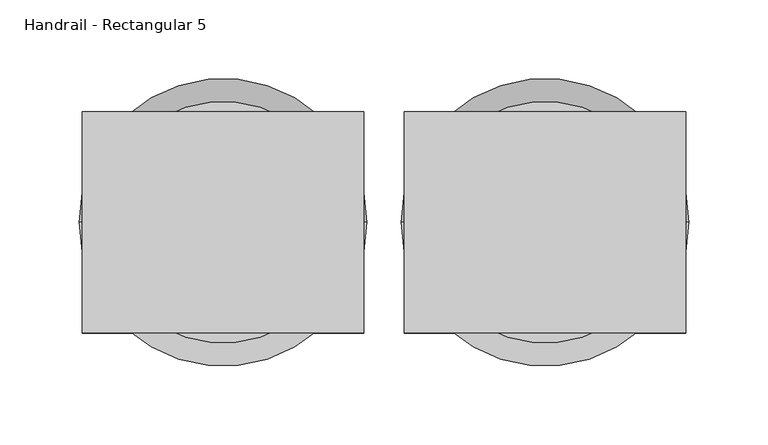
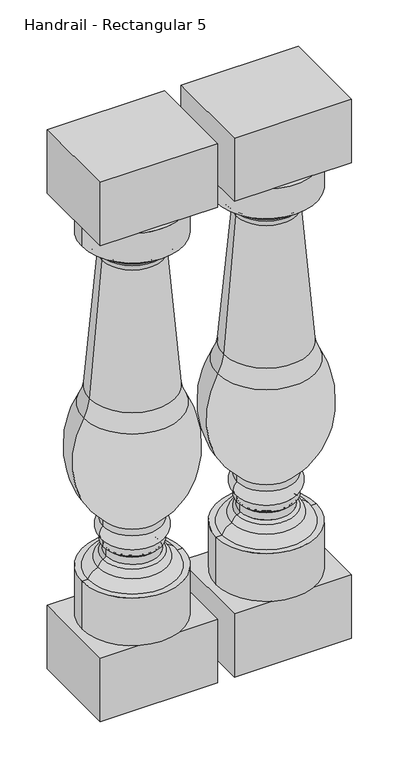
"""IFC4 building model written with IfcOpenShell, lengths in millimetres: railing geometry, Handrail - Rectangular 5."""

from ifc_helpers import new_model, si_unit, point, frame, origin, place, context, project, spatial, polyline, circle_curve, ellipse_curve, trimmed, outline, extrude, source, transform, mapped, element, save
from ifc_brep_helpers import plane_surface, cylinder_surface, revolved_surface, advanced_brep


def handrail_rectangular_5_f47f2843(model_context):
    return source(origin(), model_context, "Body", "SolidModel", [
        advanced_brep(
        [(12191.3566037, 2142.9239298, 873.125), (12343.7566037, 2142.9239298, 873.125), (12267.5566037, 2142.9239298, 873.125), (12191.3566037, 2142.9239298, 825.4490755), (12343.7566037, 2142.9239298, 825.4490755), (12201.399835, 2142.9239298, 825.4490755), (12333.7133725, 2142.9239298, 825.4490755), (12212.8831249, 2142.9239298, 813.9657856), (12322.2300826, 2142.9239298, 813.9657856), (12212.8831249, 2142.9239298, 808.3461292), (12322.2300826, 2142.9239298, 808.3461292), (12218.585312, 2142.9239298, 802.2016975), (12316.5278955, 2142.9239298, 802.2016975), (12221.9271078, 2142.9239298, 792.8428746), (12313.1860997, 2142.9239298, 792.8428746), (12203.1596018, 2142.9239298, 577.4758218), (12331.9536056, 2142.9239298, 577.4758218), (12194.1423791, 2142.9239298, 549.5125844), (12340.9708283, 2142.9239298, 549.5125844), (12223.4132114, 2142.9239298, 376.7693301), (12311.699996, 2142.9239298, 376.7693301), (12223.4132114, 2142.9239298, 366.4437154), (12311.699996, 2142.9239298, 366.4437154), (12223.4132114, 2142.9239298, 343.8682651), (12311.699996, 2142.9239298, 343.8682651), (12223.4132114, 2142.9239298, 333.5426504), (12311.699996, 2142.9239298, 333.5426504), (12227.7236517, 2142.9239298, 329.2322102), (12307.3895558, 2142.9239298, 329.2322102), (12227.7236517, 2142.9239298, 317.4353211), (12307.3895558, 2142.9239298, 317.4353211), (12223.2258586, 2142.9239298, 313.1289544), (12311.8873488, 2142.9239298, 313.1289544), (12215.7054015, 2142.9239298, 303.0807869), (12319.4078059, 2142.9239298, 303.0807869), (12200.5567928, 2142.9239298, 288.925), (12334.5564146, 2142.9239298, 288.925), (12191.3566037, 2142.9239298, 288.925), (12343.7566037, 2142.9239298, 288.925), (12191.3566037, 2142.9239298, 212.725), (12343.7566037, 2142.9239298, 212.725), (12267.5566037, 2142.9239298, 212.725)],
        [
            (0, 1, circle_curve(frame((12267.5566037, 2142.9239298, 873.125), z_axis=(0.0, 0.0, 1.0), x_axis=(1.0, 0.0, 0.0)), 76.2)),
            (1, 2),
            (2, 0),
            (1, 0, circle_curve(frame((12267.5566037, 2142.9239298, 873.125), z_axis=(0.0, 0.0, 1.0), x_axis=(1.0, 0.0, 0.0)), 76.2)),
            (3, 4, circle_curve(frame((12267.5566037, 2142.9239298, 825.4490755), z_axis=(0.0, 0.0, 1.0), x_axis=(1.0, 0.0, 0.0)), 76.2)),
            (4, 1),
            (0, 3),
            (4, 3, circle_curve(frame((12267.5566037, 2142.9239298, 825.4490755), z_axis=(0.0, 0.0, 1.0), x_axis=(1.0, 0.0, 0.0)), 76.2)),
            (5, 6, circle_curve(frame((12267.5566037, 2142.9239298, 825.4490755), z_axis=(0.0, 0.0, 1.0), x_axis=(1.0, 0.0, 0.0)), 66.1567687)),
            (6, 4),
            (3, 5),
            (6, 5, circle_curve(frame((12267.5566037, 2142.9239298, 825.4490755), z_axis=(0.0, 0.0, 1.0), x_axis=(1.0, 0.0, 0.0)), 66.1567687)),
            (7, 8, circle_curve(frame((12267.5566037, 2142.9239298, 813.9657856), z_axis=(0.0, 0.0, 1.0), x_axis=(1.0, 0.0, 0.0)), 54.6734788)),
            (8, 6, circle_curve(frame((12322.2300826, 2142.9239298, 825.4490755), z_axis=(0.0, -1.0, 0.0), x_axis=(-1.0, 0.0, 0.0)), 11.4832899)),
            (5, 7, circle_curve(frame((12212.8831249, 2142.9239298, 825.4490755), z_axis=(0.0, -1.0, 0.0), x_axis=(1.0, 0.0, 0.0)), 11.4832899)),
            (8, 7, circle_curve(frame((12267.5566037, 2142.9239298, 813.9657856), z_axis=(0.0, 0.0, 1.0), x_axis=(1.0, 0.0, 0.0)), 54.6734788)),
            (9, 10, circle_curve(frame((12267.5566037, 2142.9239298, 808.3461292), z_axis=(0.0, 0.0, 1.0), x_axis=(1.0, 0.0, 0.0)), 54.6734788)),
            (10, 8),
            (7, 9),
            (10, 9, circle_curve(frame((12267.5566037, 2142.9239298, 808.3461292), z_axis=(0.0, 0.0, 1.0), x_axis=(1.0, 0.0, 0.0)), 54.6734788)),
            (11, 12, circle_curve(frame((12267.5566037, 2142.9239298, 802.2016975), z_axis=(0.0, 0.0, 1.0), x_axis=(1.0, 0.0, 0.0)), 48.9712918)),
            (12, 10, circle_curve(frame((12329.938943, 2142.9239298, 795.4740105), z_axis=(0.0, 1.0, 0.0), x_axis=(-1.0, 0.0, 0.0)), 15.0039317)),
            (9, 11, circle_curve(frame((12205.1742645, 2142.9239298, 795.4740105), z_axis=(0.0, 1.0, 0.0), x_axis=(1.0, 0.0, 0.0)), 15.0039317)),
            (12, 11, circle_curve(frame((12267.5566037, 2142.9239298, 802.2016975), z_axis=(0.0, 0.0, 1.0), x_axis=(1.0, 0.0, 0.0)), 48.9712918)),
            (13, 14, circle_curve(frame((12267.5566037, 2142.9239298, 792.8428746), z_axis=(0.0, 0.0, 1.0), x_axis=(1.0, 0.0, 0.0)), 45.629496)),
            (14, 12, circle_curve(frame((12325.863988, 2142.9239298, 793.5919719), z_axis=(0.0, 1.0, 0.0), x_axis=(-1.0, 0.0, 0.0)), 12.7)),
            (11, 13, circle_curve(frame((12209.2492194, 2142.9239298, 793.5919719), z_axis=(0.0, 1.0, 0.0), x_axis=(1.0, 0.0, 0.0)), 12.7)),
            (14, 13, circle_curve(frame((12267.5566037, 2142.9239298, 792.8428746), z_axis=(0.0, 0.0, 1.0), x_axis=(1.0, 0.0, 0.0)), 45.629496)),
            (15, 16, circle_curve(frame((12267.5566037, 2142.9239298, 577.4758218), z_axis=(0.0, 0.0, 1.0), x_axis=(1.0, 0.0, 0.0)), 64.3970019)),
            (16, 14, circle_curve(frame((16180.6276241, 2142.9239298, 1021.358044), z_axis=(0.0, 1.0, 0.0), x_axis=(-1.0, 0.0, 0.0)), 3874.1867698)),
            (13, 15, circle_curve(frame((8354.4855833, 2142.9239298, 1021.358044), z_axis=(0.0, 1.0, 0.0), x_axis=(1.0, 0.0, 0.0)), 3874.1867698)),
            (16, 15, circle_curve(frame((12267.5566037, 2142.9239298, 577.4758218), z_axis=(0.0, 0.0, 1.0), x_axis=(1.0, 0.0, 0.0)), 64.3970019)),
            (17, 18, circle_curve(frame((12267.5566037, 2142.9239298, 549.5125844), z_axis=(0.0, 0.0, 1.0), x_axis=(1.0, 0.0, 0.0)), 73.4142246)),
            (18, 16, circle_curve(frame((12406.4732583, 2142.9239298, 586.070457), z_axis=(0.0, 1.0, 0.0), x_axis=(-1.0, 0.0, 0.0)), 75.0136413)),
            (15, 17, circle_curve(frame((12128.6399492, 2142.9239298, 586.070457), z_axis=(0.0, 1.0, 0.0), x_axis=(1.0, 0.0, 0.0)), 75.0136413)),
            (18, 17, circle_curve(frame((12267.5566037, 2142.9239298, 549.5125844), z_axis=(0.0, 0.0, 1.0), x_axis=(1.0, 0.0, 0.0)), 73.4142246)),
            (19, 20, circle_curve(frame((12267.5566037, 2142.9239298, 376.7693301), z_axis=(0.0, 0.0, 1.0), x_axis=(1.0, 0.0, 0.0)), 44.1433923)),
            (20, 18, circle_curve(frame((12218.848479, 2142.9239298, 481.3542994), z_axis=(0.0, -1.0, 0.0), x_axis=(-1.0, 0.0, 0.0)), 139.8549964)),
            (17, 19, circle_curve(frame((12316.2647284, 2142.9239298, 481.3542994), z_axis=(0.0, -1.0, 0.0), x_axis=(1.0, 0.0, 0.0)), 139.8549964)),
            (20, 19, circle_curve(frame((12267.5566037, 2142.9239298, 376.7693301), z_axis=(0.0, 0.0, 1.0), x_axis=(1.0, 0.0, 0.0)), 44.1433923)),
            (21, 22, circle_curve(frame((12267.5566037, 2142.9239298, 366.4437154), z_axis=(0.0, 0.0, 1.0), x_axis=(1.0, 0.0, 0.0)), 44.1433923)),
            (22, 20),
            (19, 21),
            (22, 21, circle_curve(frame((12267.5566037, 2142.9239298, 366.4437154), z_axis=(0.0, 0.0, 1.0), x_axis=(1.0, 0.0, 0.0)), 44.1433923)),
            (23, 24, circle_curve(frame((12267.5566037, 2142.9239298, 343.8682651), z_axis=(0.0, 0.0, 1.0), x_axis=(1.0, 0.0, 0.0)), 44.1433923)),
            (24, 22, circle_curve(frame((12303.4079682, 2142.9239298, 355.1559903), z_axis=(0.0, -1.0, 0.0), x_axis=(-1.0, 0.0, 0.0)), 14.0060867)),
            (21, 23, circle_curve(frame((12231.7052393, 2142.9239298, 355.1559903), z_axis=(0.0, -1.0, 0.0), x_axis=(1.0, 0.0, 0.0)), 14.0060867)),
            (24, 23, circle_curve(frame((12267.5566037, 2142.9239298, 343.8682651), z_axis=(0.0, 0.0, 1.0), x_axis=(1.0, 0.0, 0.0)), 44.1433923)),
            (25, 26, circle_curve(frame((12267.5566037, 2142.9239298, 333.5426504), z_axis=(0.0, 0.0, 1.0), x_axis=(1.0, 0.0, 0.0)), 44.1433923)),
            (26, 24),
            (23, 25),
            (26, 25, circle_curve(frame((12267.5566037, 2142.9239298, 333.5426504), z_axis=(0.0, 0.0, 1.0), x_axis=(1.0, 0.0, 0.0)), 44.1433923)),
            (27, 28, circle_curve(frame((12267.5566037, 2142.9239298, 329.2322102), z_axis=(0.0, 0.0, 1.0), x_axis=(1.0, 0.0, 0.0)), 39.8329521)),
            (28, 26, circle_curve(frame((12311.699996, 2142.9239298, 329.2322102), z_axis=(0.0, 1.0, 0.0), x_axis=(-1.0, 0.0, 0.0)), 4.3104402)),
            (25, 27, circle_curve(frame((12223.4132114, 2142.9239298, 329.2322102), z_axis=(0.0, 1.0, 0.0), x_axis=(1.0, 0.0, 0.0)), 4.3104402)),
            (28, 27, circle_curve(frame((12267.5566037, 2142.9239298, 329.2322102), z_axis=(0.0, 0.0, 1.0), x_axis=(1.0, 0.0, 0.0)), 39.8329521)),
            (29, 30, circle_curve(frame((12267.5566037, 2142.9239298, 317.4353211), z_axis=(0.0, 0.0, 1.0), x_axis=(1.0, 0.0, 0.0)), 39.8329521)),
            (30, 28),
            (27, 29),
            (30, 29, circle_curve(frame((12267.5566037, 2142.9239298, 317.4353211), z_axis=(0.0, 0.0, 1.0), x_axis=(1.0, 0.0, 0.0)), 39.8329521)),
            (31, 32, circle_curve(frame((12267.5566037, 2142.9239298, 313.1289544), z_axis=(0.0, 0.0, 1.0), x_axis=(1.0, 0.0, 0.0)), 44.3307451)),
            (32, 30, circle_curve(frame((12311.699996, 2142.9239298, 317.4353211), z_axis=(0.0, 1.0, 0.0), x_axis=(-1.0, 0.0, 0.0)), 4.3104402)),
            (29, 31, circle_curve(frame((12223.4132114, 2142.9239298, 317.4353211), z_axis=(0.0, 1.0, 0.0), x_axis=(1.0, 0.0, 0.0)), 4.3104402)),
            (32, 31, circle_curve(frame((12267.5566037, 2142.9239298, 313.1289544), z_axis=(0.0, 0.0, 1.0), x_axis=(1.0, 0.0, 0.0)), 44.3307451)),
            (33, 34, circle_curve(frame((12267.5566037, 2142.9239298, 303.0807869), z_axis=(0.0, 0.0, 1.0), x_axis=(1.0, 0.0, 0.0)), 51.8512022)),
            (34, 32, circle_curve(frame((12304.7684896, 2142.9239298, 299.962519), z_axis=(0.0, -1.0, 0.0), x_axis=(-1.0, 0.0, 0.0)), 14.9677378)),
            (31, 33, circle_curve(frame((12230.3447178, 2142.9239298, 299.962519), z_axis=(0.0, -1.0, 0.0), x_axis=(1.0, 0.0, 0.0)), 14.9677378)),
            (34, 33, circle_curve(frame((12267.5566037, 2142.9239298, 303.0807869), z_axis=(0.0, 0.0, 1.0), x_axis=(1.0, 0.0, 0.0)), 51.8512022)),
            (35, 36, circle_curve(frame((12267.5566037, 2142.9239298, 288.925), z_axis=(0.0, 0.0, 1.0), x_axis=(1.0, 0.0, 0.0)), 66.9998109)),
            (36, 34, circle_curve(frame((12314.1589578, 2142.9239298, 282.2803841), z_axis=(0.0, -1.0, 0.0), x_axis=(-1.0, 0.0, 0.0)), 21.4524396)),
            (33, 35, circle_curve(frame((12220.9542496, 2142.9239298, 282.2803841), z_axis=(0.0, -1.0, 0.0), x_axis=(1.0, 0.0, 0.0)), 21.4524396)),
            (36, 35, circle_curve(frame((12267.5566037, 2142.9239298, 288.925), z_axis=(0.0, 0.0, 1.0), x_axis=(1.0, 0.0, 0.0)), 66.9998109)),
            (37, 38, circle_curve(frame((12267.5566037, 2142.9239298, 288.925), z_axis=(0.0, 0.0, 1.0), x_axis=(1.0, 0.0, 0.0)), 76.2)),
            (38, 36),
            (35, 37),
            (38, 37, circle_curve(frame((12267.5566037, 2142.9239298, 288.925), z_axis=(0.0, 0.0, 1.0), x_axis=(1.0, 0.0, 0.0)), 76.2)),
            (39, 40, circle_curve(frame((12267.5566037, 2142.9239298, 212.725), z_axis=(0.0, 0.0, 1.0), x_axis=(1.0, 0.0, 0.0)), 76.2)),
            (40, 38),
            (37, 39),
            (40, 39, circle_curve(frame((12267.5566037, 2142.9239298, 212.725), z_axis=(0.0, 0.0, 1.0), x_axis=(1.0, 0.0, 0.0)), 76.2)),
            (41, 40),
            (39, 41),
        ],
        [
            plane_surface(frame((12267.5566037, 2142.9239298, 873.125), z_axis=(0.0, 0.0, 1.0), x_axis=(1.0, 0.0, 0.0))),
            cylinder_surface(frame((12267.5566037, 2142.9239298, 841.375), z_axis=(0.0, 0.0, -1.0), x_axis=(1.0, 0.0, 0.0)), 76.2),
            plane_surface(frame((12267.5566037, 2142.9239298, 825.4490755), z_axis=(0.0, 0.0, -1.0), x_axis=(1.0, 0.0, 0.0))),
            revolved_surface(trimmed(ellipse_curve(frame((12322.2300826, 2142.9239298, 825.4490755), z_axis=(0.0, 1.0, 0.0), x_axis=(-1.0, 0.0, 0.0)), 11.4832899, 11.4832899), [point((12333.7133725, 2142.9239298, 825.4490755))], [point((12322.2300826, 2142.9239298, 813.9657856))], True, "CARTESIAN"), (12267.5566037, 2142.9239298, 841.375), (0.0, 0.0, -1.0)),
            cylinder_surface(frame((12267.5566037, 2142.9239298, 841.375), z_axis=(0.0, 0.0, -1.0), x_axis=(1.0, 0.0, 0.0)), 54.6734788),
            revolved_surface(trimmed(ellipse_curve(frame((12329.938943, 2142.9239298, 795.4740105), z_axis=(0.0, -1.0, 0.0), x_axis=(-1.0, 0.0, 0.0)), 15.0039317, 15.0039317), [point((12322.2300826, 2142.9239298, 808.3461292))], [point((12316.5278955, 2142.9239298, 802.2016975))], True, "CARTESIAN"), (12267.5566037, 2142.9239298, 841.375), (0.0, 0.0, -1.0)),
            revolved_surface(trimmed(ellipse_curve(frame((12325.863988, 2142.9239298, 793.5919719), z_axis=(0.0, -1.0, 0.0), x_axis=(-1.0, 0.0, 0.0)), 12.7, 12.7), [point((12316.5278955, 2142.9239298, 802.2016975))], [point((12313.1860997, 2142.9239298, 792.8428746))], True, "CARTESIAN"), (12267.5566037, 2142.9239298, 841.375), (0.0, 0.0, -1.0)),
            revolved_surface(trimmed(ellipse_curve(frame((16180.6276241, 2142.9239298, 1021.358044), z_axis=(0.0, -1.0, 0.0), x_axis=(-1.0, 0.0, 0.0)), 3874.1867698, 3874.1867698), [point((12313.1860997, 2142.9239298, 792.8428746))], [point((12331.9536056, 2142.9239298, 577.4758218))], True, "CARTESIAN"), (12267.5566037, 2142.9239298, 841.375), (0.0, 0.0, -1.0)),
            revolved_surface(trimmed(ellipse_curve(frame((12406.4732583, 2142.9239298, 586.070457), z_axis=(0.0, -1.0, 0.0), x_axis=(-1.0, 0.0, 0.0)), 75.0136413, 75.0136413), [point((12331.9536056, 2142.9239298, 577.4758218))], [point((12340.9708283, 2142.9239298, 549.5125844))], True, "CARTESIAN"), (12267.5566037, 2142.9239298, 841.375), (0.0, 0.0, -1.0)),
            revolved_surface(trimmed(ellipse_curve(frame((12218.848479, 2142.9239298, 481.3542994), z_axis=(0.0, 1.0, 0.0), x_axis=(-1.0, 0.0, 0.0)), 139.8549964, 139.8549964), [point((12340.9708283, 2142.9239298, 549.5125844))], [point((12311.699996, 2142.9239298, 376.7693301))], True, "CARTESIAN"), (12267.5566037, 2142.9239298, 841.375), (0.0, 0.0, -1.0)),
            cylinder_surface(frame((12267.5566037, 2142.9239298, 841.375), z_axis=(0.0, 0.0, -1.0), x_axis=(1.0, 0.0, 0.0)), 44.1433923),
            revolved_surface(trimmed(ellipse_curve(frame((12303.4079682, 2142.9239298, 355.1559903), z_axis=(0.0, 1.0, 0.0), x_axis=(-1.0, 0.0, 0.0)), 14.0060867, 14.0060867), [point((12311.699996, 2142.9239298, 366.4437154))], [point((12311.699996, 2142.9239298, 343.8682651))], True, "CARTESIAN"), (12267.5566037, 2142.9239298, 841.375), (0.0, 0.0, -1.0)),
            revolved_surface(trimmed(ellipse_curve(frame((12311.699996, 2142.9239298, 329.2322102), z_axis=(0.0, -1.0, 0.0), x_axis=(-1.0, 0.0, 0.0)), 4.3104402, 4.3104402), [point((12311.699996, 2142.9239298, 333.5426504))], [point((12307.3895558, 2142.9239298, 329.2322102))], True, "CARTESIAN"), (12267.5566037, 2142.9239298, 841.375), (0.0, 0.0, -1.0)),
            cylinder_surface(frame((12267.5566037, 2142.9239298, 841.375), z_axis=(0.0, 0.0, -1.0), x_axis=(1.0, 0.0, 0.0)), 39.8329521),
            revolved_surface(trimmed(ellipse_curve(frame((12311.699996, 2142.9239298, 317.4353211), z_axis=(0.0, -1.0, 0.0), x_axis=(-1.0, 0.0, 0.0)), 4.3104402, 4.3104402), [point((12307.3895558, 2142.9239298, 317.4353211))], [point((12311.8873488, 2142.9239298, 313.1289544))], True, "CARTESIAN"), (12267.5566037, 2142.9239298, 841.375), (0.0, 0.0, -1.0)),
            revolved_surface(trimmed(ellipse_curve(frame((12304.7684896, 2142.9239298, 299.962519), z_axis=(0.0, 1.0, 0.0), x_axis=(-1.0, 0.0, 0.0)), 14.9677378, 14.9677378), [point((12311.8873488, 2142.9239298, 313.1289544))], [point((12319.4078059, 2142.9239298, 303.0807869))], True, "CARTESIAN"), (12267.5566037, 2142.9239298, 841.375), (0.0, 0.0, -1.0)),
            revolved_surface(trimmed(ellipse_curve(frame((12314.1589578, 2142.9239298, 282.2803841), z_axis=(0.0, 1.0, 0.0), x_axis=(-1.0, 0.0, 0.0)), 21.4524396, 21.4524396), [point((12319.4078059, 2142.9239298, 303.0807869))], [point((12334.5564146, 2142.9239298, 288.925))], True, "CARTESIAN"), (12267.5566037, 2142.9239298, 841.375), (0.0, 0.0, -1.0)),
            plane_surface(frame((12267.5566037, 2142.9239298, 288.925), z_axis=(0.0, 0.0, 1.0), x_axis=(1.0, 0.0, 0.0))),
            plane_surface(frame((12267.5566037, 2142.9239298, 212.725), z_axis=(0.0, 0.0, -1.0), x_axis=(1.0, 0.0, 0.0))),
        ],
        [
            (0, [[1, 2, 3]]),
            (0, [[4, -3, -2]]),
            (1, [[5, 6, -1, 7]]),
            (1, [[8, -7, -4, -6]]),
            (2, [[9, 10, -5, 11]]),
            (2, [[12, -11, -8, -10]]),
            (3, [[13, 14, -9, 15]]),
            (3, [[16, -15, -12, -14]]),
            (4, [[17, 18, -13, 19]]),
            (4, [[20, -19, -16, -18]]),
            (5, [[21, 22, -17, 23]]),
            (5, [[24, -23, -20, -22]]),
            (6, [[25, 26, -21, 27]]),
            (6, [[28, -27, -24, -26]]),
            (7, [[29, 30, -25, 31]]),
            (7, [[32, -31, -28, -30]]),
            (8, [[33, 34, -29, 35]]),
            (8, [[36, -35, -32, -34]]),
            (9, [[37, 38, -33, 39]]),
            (9, [[40, -39, -36, -38]]),
            (10, [[41, 42, -37, 43]]),
            (10, [[44, -43, -40, -42]]),
            (11, [[45, 46, -41, 47]]),
            (11, [[48, -47, -44, -46]]),
            (10, [[49, 50, -45, 51]]),
            (10, [[52, -51, -48, -50]]),
            (12, [[53, 54, -49, 55]]),
            (12, [[56, -55, -52, -54]]),
            (13, [[57, 58, -53, 59]]),
            (13, [[60, -59, -56, -58]]),
            (14, [[61, 62, -57, 63]]),
            (14, [[64, -63, -60, -62]]),
            (15, [[65, 66, -61, 67]]),
            (15, [[68, -67, -64, -66]]),
            (16, [[69, 70, -65, 71]]),
            (16, [[72, -71, -68, -70]]),
            (17, [[73, 74, -69, 75]]),
            (17, [[76, -75, -72, -74]]),
            (1, [[77, 78, -73, 79]]),
            (1, [[80, -79, -76, -78]]),
            (18, [[81, -77, 82]]),
            (18, [[-82, -80, -81]]),
        ],
    ),
        extrude(outline(polyline([(12178.6566037, 2073.0739298), (12178.6566037, 2212.7739298), (12356.4566037, 2212.7739298), (12356.4566037, 2073.0739298), (12178.6566037, 2073.0739298)])), frame((0.0, 0.0, 111.125), z_axis=(0.0, 0.0, 1.0), x_axis=(1.0, 0.0, 0.0)), (0.0, 0.0, 1.0), 101.6),
        extrude(outline(polyline([(12178.6566037, 2212.7739298), (12356.4566037, 2212.7739298), (12356.4566037, 2073.0739298), (12178.6566037, 2073.0739298), (12178.6566037, 2212.7739298)])), frame((0.0, 0.0, 873.125), z_axis=(0.0, 0.0, 1.0), x_axis=(1.0, 0.0, 0.0)), (0.0, 0.0, 1.0), 101.6),
        advanced_brep(
        [(11988.1566037, 2142.9239298, 873.125), (12140.5566037, 2142.9239298, 873.125), (12064.3566037, 2142.9239298, 873.125), (11988.1566037, 2142.9239298, 825.4490755), (12140.5566037, 2142.9239298, 825.4490755), (11998.199835, 2142.9239298, 825.4490755), (12130.5133725, 2142.9239298, 825.4490755), (12009.6831249, 2142.9239298, 813.9657856), (12119.0300826, 2142.9239298, 813.9657856), (12009.6831249, 2142.9239298, 808.3461292), (12119.0300826, 2142.9239298, 808.3461292), (12015.385312, 2142.9239298, 802.2016975), (12113.3278955, 2142.9239298, 802.2016975), (12018.7271078, 2142.9239298, 792.8428746), (12109.9860997, 2142.9239298, 792.8428746), (11999.9596018, 2142.9239298, 577.4758218), (12128.7536056, 2142.9239298, 577.4758218), (11990.9423791, 2142.9239298, 549.5125844), (12137.7708283, 2142.9239298, 549.5125844), (12020.2132114, 2142.9239298, 376.7693301), (12108.499996, 2142.9239298, 376.7693301), (12020.2132114, 2142.9239298, 366.4437154), (12108.499996, 2142.9239298, 366.4437154), (12020.2132114, 2142.9239298, 343.8682651), (12108.499996, 2142.9239298, 343.8682651), (12020.2132114, 2142.9239298, 333.5426504), (12108.499996, 2142.9239298, 333.5426504), (12024.5236517, 2142.9239298, 329.2322102), (12104.1895558, 2142.9239298, 329.2322102), (12024.5236517, 2142.9239298, 317.4353211), (12104.1895558, 2142.9239298, 317.4353211), (12020.0258586, 2142.9239298, 313.1289544), (12108.6873488, 2142.9239298, 313.1289544), (12012.5054015, 2142.9239298, 303.0807869), (12116.2078059, 2142.9239298, 303.0807869), (11997.3567928, 2142.9239298, 288.925), (12131.3564146, 2142.9239298, 288.925), (11988.1566037, 2142.9239298, 288.925), (12140.5566037, 2142.9239298, 288.925), (11988.1566037, 2142.9239298, 212.725), (12140.5566037, 2142.9239298, 212.725), (12064.3566037, 2142.9239298, 212.725)],
        [
            (0, 1, circle_curve(frame((12064.3566037, 2142.9239298, 873.125), z_axis=(0.0, 0.0, 1.0), x_axis=(1.0, 0.0, 0.0)), 76.2)),
            (1, 2),
            (2, 0),
            (1, 0, circle_curve(frame((12064.3566037, 2142.9239298, 873.125), z_axis=(0.0, 0.0, 1.0), x_axis=(1.0, 0.0, 0.0)), 76.2)),
            (3, 4, circle_curve(frame((12064.3566037, 2142.9239298, 825.4490755), z_axis=(0.0, 0.0, 1.0), x_axis=(1.0, 0.0, 0.0)), 76.2)),
            (4, 1),
            (0, 3),
            (4, 3, circle_curve(frame((12064.3566037, 2142.9239298, 825.4490755), z_axis=(0.0, 0.0, 1.0), x_axis=(1.0, 0.0, 0.0)), 76.2)),
            (5, 6, circle_curve(frame((12064.3566037, 2142.9239298, 825.4490755), z_axis=(0.0, 0.0, 1.0), x_axis=(1.0, 0.0, 0.0)), 66.1567687)),
            (6, 4),
            (3, 5),
            (6, 5, circle_curve(frame((12064.3566037, 2142.9239298, 825.4490755), z_axis=(0.0, 0.0, 1.0), x_axis=(1.0, 0.0, 0.0)), 66.1567687)),
            (7, 8, circle_curve(frame((12064.3566037, 2142.9239298, 813.9657856), z_axis=(0.0, 0.0, 1.0), x_axis=(1.0, 0.0, 0.0)), 54.6734788)),
            (8, 6, circle_curve(frame((12119.0300826, 2142.9239298, 825.4490755), z_axis=(0.0, -1.0, 0.0), x_axis=(-1.0, 0.0, 0.0)), 11.4832899)),
            (5, 7, circle_curve(frame((12009.6831249, 2142.9239298, 825.4490755), z_axis=(0.0, -1.0, 0.0), x_axis=(1.0, 0.0, 0.0)), 11.4832899)),
            (8, 7, circle_curve(frame((12064.3566037, 2142.9239298, 813.9657856), z_axis=(0.0, 0.0, 1.0), x_axis=(1.0, 0.0, 0.0)), 54.6734788)),
            (9, 10, circle_curve(frame((12064.3566037, 2142.9239298, 808.3461292), z_axis=(0.0, 0.0, 1.0), x_axis=(1.0, 0.0, 0.0)), 54.6734788)),
            (10, 8),
            (7, 9),
            (10, 9, circle_curve(frame((12064.3566037, 2142.9239298, 808.3461292), z_axis=(0.0, 0.0, 1.0), x_axis=(1.0, 0.0, 0.0)), 54.6734788)),
            (11, 12, circle_curve(frame((12064.3566037, 2142.9239298, 802.2016975), z_axis=(0.0, 0.0, 1.0), x_axis=(1.0, 0.0, 0.0)), 48.9712918)),
            (12, 10, circle_curve(frame((12126.738943, 2142.9239298, 795.4740105), z_axis=(0.0, 1.0, 0.0), x_axis=(-1.0, 0.0, 0.0)), 15.0039317)),
            (9, 11, circle_curve(frame((12001.9742645, 2142.9239298, 795.4740105), z_axis=(0.0, 1.0, 0.0), x_axis=(1.0, 0.0, 0.0)), 15.0039317)),
            (12, 11, circle_curve(frame((12064.3566037, 2142.9239298, 802.2016975), z_axis=(0.0, 0.0, 1.0), x_axis=(1.0, 0.0, 0.0)), 48.9712918)),
            (13, 14, circle_curve(frame((12064.3566037, 2142.9239298, 792.8428746), z_axis=(0.0, 0.0, 1.0), x_axis=(1.0, 0.0, 0.0)), 45.629496)),
            (14, 12, circle_curve(frame((12122.663988, 2142.9239298, 793.5919719), z_axis=(0.0, 1.0, 0.0), x_axis=(-1.0, 0.0, 0.0)), 12.7)),
            (11, 13, circle_curve(frame((12006.0492194, 2142.9239298, 793.5919719), z_axis=(0.0, 1.0, 0.0), x_axis=(1.0, 0.0, 0.0)), 12.7)),
            (14, 13, circle_curve(frame((12064.3566037, 2142.9239298, 792.8428746), z_axis=(0.0, 0.0, 1.0), x_axis=(1.0, 0.0, 0.0)), 45.629496)),
            (15, 16, circle_curve(frame((12064.3566037, 2142.9239298, 577.4758218), z_axis=(0.0, 0.0, 1.0), x_axis=(1.0, 0.0, 0.0)), 64.3970019)),
            (16, 14, circle_curve(frame((15977.4276241, 2142.9239298, 1021.358044), z_axis=(0.0, 1.0, 0.0), x_axis=(-1.0, 0.0, 0.0)), 3874.1867698)),
            (13, 15, circle_curve(frame((8151.2855833, 2142.9239298, 1021.358044), z_axis=(0.0, 1.0, 0.0), x_axis=(1.0, 0.0, 0.0)), 3874.1867698)),
            (16, 15, circle_curve(frame((12064.3566037, 2142.9239298, 577.4758218), z_axis=(0.0, 0.0, 1.0), x_axis=(1.0, 0.0, 0.0)), 64.3970019)),
            (17, 18, circle_curve(frame((12064.3566037, 2142.9239298, 549.5125844), z_axis=(0.0, 0.0, 1.0), x_axis=(1.0, 0.0, 0.0)), 73.4142246)),
            (18, 16, circle_curve(frame((12203.2732583, 2142.9239298, 586.070457), z_axis=(0.0, 1.0, 0.0), x_axis=(-1.0, 0.0, 0.0)), 75.0136413)),
            (15, 17, circle_curve(frame((11925.4399492, 2142.9239298, 586.070457), z_axis=(0.0, 1.0, 0.0), x_axis=(1.0, 0.0, 0.0)), 75.0136413)),
            (18, 17, circle_curve(frame((12064.3566037, 2142.9239298, 549.5125844), z_axis=(0.0, 0.0, 1.0), x_axis=(1.0, 0.0, 0.0)), 73.4142246)),
            (19, 20, circle_curve(frame((12064.3566037, 2142.9239298, 376.7693301), z_axis=(0.0, 0.0, 1.0), x_axis=(1.0, 0.0, 0.0)), 44.1433923)),
            (20, 18, circle_curve(frame((12015.648479, 2142.9239298, 481.3542994), z_axis=(0.0, -1.0, 0.0), x_axis=(-1.0, 0.0, 0.0)), 139.8549964)),
            (17, 19, circle_curve(frame((12113.0647284, 2142.9239298, 481.3542994), z_axis=(0.0, -1.0, 0.0), x_axis=(1.0, 0.0, 0.0)), 139.8549964)),
            (20, 19, circle_curve(frame((12064.3566037, 2142.9239298, 376.7693301), z_axis=(0.0, 0.0, 1.0), x_axis=(1.0, 0.0, 0.0)), 44.1433923)),
            (21, 22, circle_curve(frame((12064.3566037, 2142.9239298, 366.4437154), z_axis=(0.0, 0.0, 1.0), x_axis=(1.0, 0.0, 0.0)), 44.1433923)),
            (22, 20),
            (19, 21),
            (22, 21, circle_curve(frame((12064.3566037, 2142.9239298, 366.4437154), z_axis=(0.0, 0.0, 1.0), x_axis=(1.0, 0.0, 0.0)), 44.1433923)),
            (23, 24, circle_curve(frame((12064.3566037, 2142.9239298, 343.8682651), z_axis=(0.0, 0.0, 1.0), x_axis=(1.0, 0.0, 0.0)), 44.1433923)),
            (24, 22, circle_curve(frame((12100.2079682, 2142.9239298, 355.1559903), z_axis=(0.0, -1.0, 0.0), x_axis=(-1.0, 0.0, 0.0)), 14.0060867)),
            (21, 23, circle_curve(frame((12028.5052393, 2142.9239298, 355.1559903), z_axis=(0.0, -1.0, 0.0), x_axis=(1.0, 0.0, 0.0)), 14.0060867)),
            (24, 23, circle_curve(frame((12064.3566037, 2142.9239298, 343.8682651), z_axis=(0.0, 0.0, 1.0), x_axis=(1.0, 0.0, 0.0)), 44.1433923)),
            (25, 26, circle_curve(frame((12064.3566037, 2142.9239298, 333.5426504), z_axis=(0.0, 0.0, 1.0), x_axis=(1.0, 0.0, 0.0)), 44.1433923)),
            (26, 24),
            (23, 25),
            (26, 25, circle_curve(frame((12064.3566037, 2142.9239298, 333.5426504), z_axis=(0.0, 0.0, 1.0), x_axis=(1.0, 0.0, 0.0)), 44.1433923)),
            (27, 28, circle_curve(frame((12064.3566037, 2142.9239298, 329.2322102), z_axis=(0.0, 0.0, 1.0), x_axis=(1.0, 0.0, 0.0)), 39.8329521)),
            (28, 26, circle_curve(frame((12108.499996, 2142.9239298, 329.2322102), z_axis=(0.0, 1.0, 0.0), x_axis=(-1.0, 0.0, 0.0)), 4.3104402)),
            (25, 27, circle_curve(frame((12020.2132114, 2142.9239298, 329.2322102), z_axis=(0.0, 1.0, 0.0), x_axis=(1.0, 0.0, 0.0)), 4.3104402)),
            (28, 27, circle_curve(frame((12064.3566037, 2142.9239298, 329.2322102), z_axis=(0.0, 0.0, 1.0), x_axis=(1.0, 0.0, 0.0)), 39.8329521)),
            (29, 30, circle_curve(frame((12064.3566037, 2142.9239298, 317.4353211), z_axis=(0.0, 0.0, 1.0), x_axis=(1.0, 0.0, 0.0)), 39.8329521)),
            (30, 28),
            (27, 29),
            (30, 29, circle_curve(frame((12064.3566037, 2142.9239298, 317.4353211), z_axis=(0.0, 0.0, 1.0), x_axis=(1.0, 0.0, 0.0)), 39.8329521)),
            (31, 32, circle_curve(frame((12064.3566037, 2142.9239298, 313.1289544), z_axis=(0.0, 0.0, 1.0), x_axis=(1.0, 0.0, 0.0)), 44.3307451)),
            (32, 30, circle_curve(frame((12108.499996, 2142.9239298, 317.4353211), z_axis=(0.0, 1.0, 0.0), x_axis=(-1.0, 0.0, 0.0)), 4.3104402)),
            (29, 31, circle_curve(frame((12020.2132114, 2142.9239298, 317.4353211), z_axis=(0.0, 1.0, 0.0), x_axis=(1.0, 0.0, 0.0)), 4.3104402)),
            (32, 31, circle_curve(frame((12064.3566037, 2142.9239298, 313.1289544), z_axis=(0.0, 0.0, 1.0), x_axis=(1.0, 0.0, 0.0)), 44.3307451)),
            (33, 34, circle_curve(frame((12064.3566037, 2142.9239298, 303.0807869), z_axis=(0.0, 0.0, 1.0), x_axis=(1.0, 0.0, 0.0)), 51.8512022)),
            (34, 32, circle_curve(frame((12101.5684896, 2142.9239298, 299.962519), z_axis=(0.0, -1.0, 0.0), x_axis=(-1.0, 0.0, 0.0)), 14.9677378)),
            (31, 33, circle_curve(frame((12027.1447178, 2142.9239298, 299.962519), z_axis=(0.0, -1.0, 0.0), x_axis=(1.0, 0.0, 0.0)), 14.9677378)),
            (34, 33, circle_curve(frame((12064.3566037, 2142.9239298, 303.0807869), z_axis=(0.0, 0.0, 1.0), x_axis=(1.0, 0.0, 0.0)), 51.8512022)),
            (35, 36, circle_curve(frame((12064.3566037, 2142.9239298, 288.925), z_axis=(0.0, 0.0, 1.0), x_axis=(1.0, 0.0, 0.0)), 66.9998109)),
            (36, 34, circle_curve(frame((12110.9589578, 2142.9239298, 282.2803841), z_axis=(0.0, -1.0, 0.0), x_axis=(-1.0, 0.0, 0.0)), 21.4524396)),
            (33, 35, circle_curve(frame((12017.7542496, 2142.9239298, 282.2803841), z_axis=(0.0, -1.0, 0.0), x_axis=(1.0, 0.0, 0.0)), 21.4524396)),
            (36, 35, circle_curve(frame((12064.3566037, 2142.9239298, 288.925), z_axis=(0.0, 0.0, 1.0), x_axis=(1.0, 0.0, 0.0)), 66.9998109)),
            (37, 38, circle_curve(frame((12064.3566037, 2142.9239298, 288.925), z_axis=(0.0, 0.0, 1.0), x_axis=(1.0, 0.0, 0.0)), 76.2)),
            (38, 36),
            (35, 37),
            (38, 37, circle_curve(frame((12064.3566037, 2142.9239298, 288.925), z_axis=(0.0, 0.0, 1.0), x_axis=(1.0, 0.0, 0.0)), 76.2)),
            (39, 40, circle_curve(frame((12064.3566037, 2142.9239298, 212.725), z_axis=(0.0, 0.0, 1.0), x_axis=(1.0, 0.0, 0.0)), 76.2)),
            (40, 38),
            (37, 39),
            (40, 39, circle_curve(frame((12064.3566037, 2142.9239298, 212.725), z_axis=(0.0, 0.0, 1.0), x_axis=(1.0, 0.0, 0.0)), 76.2)),
            (41, 40),
            (39, 41),
        ],
        [
            plane_surface(frame((12064.3566037, 2142.9239298, 873.125), z_axis=(0.0, 0.0, 1.0), x_axis=(1.0, 0.0, 0.0))),
            cylinder_surface(frame((12064.3566037, 2142.9239298, 841.375), z_axis=(0.0, 0.0, -1.0), x_axis=(1.0, 0.0, 0.0)), 76.2),
            plane_surface(frame((12064.3566037, 2142.9239298, 825.4490755), z_axis=(0.0, 0.0, -1.0), x_axis=(1.0, 0.0, 0.0))),
            revolved_surface(trimmed(ellipse_curve(frame((12119.0300826, 2142.9239298, 825.4490755), z_axis=(0.0, 1.0, 0.0), x_axis=(-1.0, 0.0, 0.0)), 11.4832899, 11.4832899), [point((12130.5133725, 2142.9239298, 825.4490755))], [point((12119.0300826, 2142.9239298, 813.9657856))], True, "CARTESIAN"), (12064.3566037, 2142.9239298, 841.375), (0.0, 0.0, -1.0)),
            cylinder_surface(frame((12064.3566037, 2142.9239298, 841.375), z_axis=(0.0, 0.0, -1.0), x_axis=(1.0, 0.0, 0.0)), 54.6734788),
            revolved_surface(trimmed(ellipse_curve(frame((12126.738943, 2142.9239298, 795.4740105), z_axis=(0.0, -1.0, 0.0), x_axis=(-1.0, 0.0, 0.0)), 15.0039317, 15.0039317), [point((12119.0300826, 2142.9239298, 808.3461292))], [point((12113.3278955, 2142.9239298, 802.2016975))], True, "CARTESIAN"), (12064.3566037, 2142.9239298, 841.375), (0.0, 0.0, -1.0)),
            revolved_surface(trimmed(ellipse_curve(frame((12122.663988, 2142.9239298, 793.5919719), z_axis=(0.0, -1.0, 0.0), x_axis=(-1.0, 0.0, 0.0)), 12.7, 12.7), [point((12113.3278955, 2142.9239298, 802.2016975))], [point((12109.9860997, 2142.9239298, 792.8428746))], True, "CARTESIAN"), (12064.3566037, 2142.9239298, 841.375), (0.0, 0.0, -1.0)),
            revolved_surface(trimmed(ellipse_curve(frame((15977.4276241, 2142.9239298, 1021.358044), z_axis=(0.0, -1.0, 0.0), x_axis=(-1.0, 0.0, 0.0)), 3874.1867698, 3874.1867698), [point((12109.9860997, 2142.9239298, 792.8428746))], [point((12128.7536056, 2142.9239298, 577.4758218))], True, "CARTESIAN"), (12064.3566037, 2142.9239298, 841.375), (0.0, 0.0, -1.0)),
            revolved_surface(trimmed(ellipse_curve(frame((12203.2732583, 2142.9239298, 586.070457), z_axis=(0.0, -1.0, 0.0), x_axis=(-1.0, 0.0, 0.0)), 75.0136413, 75.0136413), [point((12128.7536056, 2142.9239298, 577.4758218))], [point((12137.7708283, 2142.9239298, 549.5125844))], True, "CARTESIAN"), (12064.3566037, 2142.9239298, 841.375), (0.0, 0.0, -1.0)),
            revolved_surface(trimmed(ellipse_curve(frame((12015.648479, 2142.9239298, 481.3542994), z_axis=(0.0, 1.0, 0.0), x_axis=(-1.0, 0.0, 0.0)), 139.8549964, 139.8549964), [point((12137.7708283, 2142.9239298, 549.5125844))], [point((12108.499996, 2142.9239298, 376.7693301))], True, "CARTESIAN"), (12064.3566037, 2142.9239298, 841.375), (0.0, 0.0, -1.0)),
            cylinder_surface(frame((12064.3566037, 2142.9239298, 841.375), z_axis=(0.0, 0.0, -1.0), x_axis=(1.0, 0.0, 0.0)), 44.1433923),
            revolved_surface(trimmed(ellipse_curve(frame((12100.2079682, 2142.9239298, 355.1559903), z_axis=(0.0, 1.0, 0.0), x_axis=(-1.0, 0.0, 0.0)), 14.0060867, 14.0060867), [point((12108.499996, 2142.9239298, 366.4437154))], [point((12108.499996, 2142.9239298, 343.8682651))], True, "CARTESIAN"), (12064.3566037, 2142.9239298, 841.375), (0.0, 0.0, -1.0)),
            revolved_surface(trimmed(ellipse_curve(frame((12108.499996, 2142.9239298, 329.2322102), z_axis=(0.0, -1.0, 0.0), x_axis=(-1.0, 0.0, 0.0)), 4.3104402, 4.3104402), [point((12108.499996, 2142.9239298, 333.5426504))], [point((12104.1895558, 2142.9239298, 329.2322102))], True, "CARTESIAN"), (12064.3566037, 2142.9239298, 841.375), (0.0, 0.0, -1.0)),
            cylinder_surface(frame((12064.3566037, 2142.9239298, 841.375), z_axis=(0.0, 0.0, -1.0), x_axis=(1.0, 0.0, 0.0)), 39.8329521),
            revolved_surface(trimmed(ellipse_curve(frame((12108.499996, 2142.9239298, 317.4353211), z_axis=(0.0, -1.0, 0.0), x_axis=(-1.0, 0.0, 0.0)), 4.3104402, 4.3104402), [point((12104.1895558, 2142.9239298, 317.4353211))], [point((12108.6873488, 2142.9239298, 313.1289544))], True, "CARTESIAN"), (12064.3566037, 2142.9239298, 841.375), (0.0, 0.0, -1.0)),
            revolved_surface(trimmed(ellipse_curve(frame((12101.5684896, 2142.9239298, 299.962519), z_axis=(0.0, 1.0, 0.0), x_axis=(-1.0, 0.0, 0.0)), 14.9677378, 14.9677378), [point((12108.6873488, 2142.9239298, 313.1289544))], [point((12116.2078059, 2142.9239298, 303.0807869))], True, "CARTESIAN"), (12064.3566037, 2142.9239298, 841.375), (0.0, 0.0, -1.0)),
            revolved_surface(trimmed(ellipse_curve(frame((12110.9589578, 2142.9239298, 282.2803841), z_axis=(0.0, 1.0, 0.0), x_axis=(-1.0, 0.0, 0.0)), 21.4524396, 21.4524396), [point((12116.2078059, 2142.9239298, 303.0807869))], [point((12131.3564146, 2142.9239298, 288.925))], True, "CARTESIAN"), (12064.3566037, 2142.9239298, 841.375), (0.0, 0.0, -1.0)),
            plane_surface(frame((12064.3566037, 2142.9239298, 288.925), z_axis=(0.0, 0.0, 1.0), x_axis=(1.0, 0.0, 0.0))),
            plane_surface(frame((12064.3566037, 2142.9239298, 212.725), z_axis=(0.0, 0.0, -1.0), x_axis=(1.0, 0.0, 0.0))),
        ],
        [
            (0, [[1, 2, 3]]),
            (0, [[4, -3, -2]]),
            (1, [[5, 6, -1, 7]]),
            (1, [[8, -7, -4, -6]]),
            (2, [[9, 10, -5, 11]]),
            (2, [[12, -11, -8, -10]]),
            (3, [[13, 14, -9, 15]]),
            (3, [[16, -15, -12, -14]]),
            (4, [[17, 18, -13, 19]]),
            (4, [[20, -19, -16, -18]]),
            (5, [[21, 22, -17, 23]]),
            (5, [[24, -23, -20, -22]]),
            (6, [[25, 26, -21, 27]]),
            (6, [[28, -27, -24, -26]]),
            (7, [[29, 30, -25, 31]]),
            (7, [[32, -31, -28, -30]]),
            (8, [[33, 34, -29, 35]]),
            (8, [[36, -35, -32, -34]]),
            (9, [[37, 38, -33, 39]]),
            (9, [[40, -39, -36, -38]]),
            (10, [[41, 42, -37, 43]]),
            (10, [[44, -43, -40, -42]]),
            (11, [[45, 46, -41, 47]]),
            (11, [[48, -47, -44, -46]]),
            (10, [[49, 50, -45, 51]]),
            (10, [[52, -51, -48, -50]]),
            (12, [[53, 54, -49, 55]]),
            (12, [[56, -55, -52, -54]]),
            (13, [[57, 58, -53, 59]]),
            (13, [[60, -59, -56, -58]]),
            (14, [[61, 62, -57, 63]]),
            (14, [[64, -63, -60, -62]]),
            (15, [[65, 66, -61, 67]]),
            (15, [[68, -67, -64, -66]]),
            (16, [[69, 70, -65, 71]]),
            (16, [[72, -71, -68, -70]]),
            (17, [[73, 74, -69, 75]]),
            (17, [[76, -75, -72, -74]]),
            (1, [[77, 78, -73, 79]]),
            (1, [[80, -79, -76, -78]]),
            (18, [[81, -77, 82]]),
            (18, [[-82, -80, -81]]),
        ],
    ),
        extrude(outline(polyline([(11975.4566037, 2073.0739298), (11975.4566037, 2212.7739298), (12153.2566037, 2212.7739298), (12153.2566037, 2073.0739298), (11975.4566037, 2073.0739298)])), frame((0.0, 0.0, 111.125), z_axis=(0.0, 0.0, 1.0), x_axis=(1.0, 0.0, 0.0)), (0.0, 0.0, 1.0), 101.6),
        extrude(outline(polyline([(11975.4566037, 2212.7739298), (12153.2566037, 2212.7739298), (12153.2566037, 2073.0739298), (11975.4566037, 2073.0739298), (11975.4566037, 2212.7739298)])), frame((0.0, 0.0, 873.125), z_axis=(0.0, 0.0, 1.0), x_axis=(1.0, 0.0, 0.0)), (0.0, 0.0, 1.0), 101.6),
    ])


if __name__ == "__main__":
    model = new_model("IFC4")
    model_context = context("Model", 3, world=origin())
    ifc_project = project(units=[si_unit("LENGTHUNIT", "METRE", prefix="MILLI")], contexts=[model_context])
    site = spatial("IfcSite", under=ifc_project)
    building = spatial("IfcBuilding", under=site)
    placement = place(None, origin())
    handrail_rectangular_5_shape = handrail_rectangular_5_f47f2843(model_context)
    element("IfcRailing", 1, ObjectType="Handrail - Rectangular 5", at=placement, inside=building, context=model_context, shape_type="MappedRepresentation", body=[
        mapped(handrail_rectangular_5_shape, transform((0.0, 0.0, 0.0), x_axis=(1.0, 0.0, 0.0), y_axis=(0.0, 1.0, 0.0), z_axis=(0.0, 0.0, 1.0))),
    ])
    save(model, "model.ifc")
